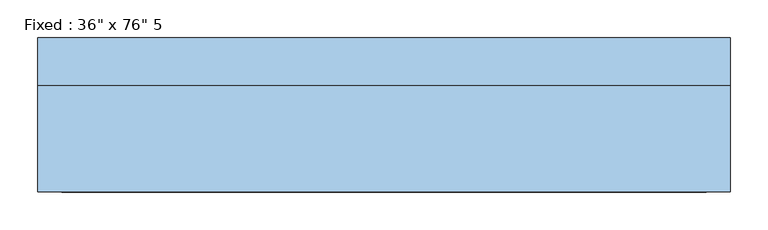
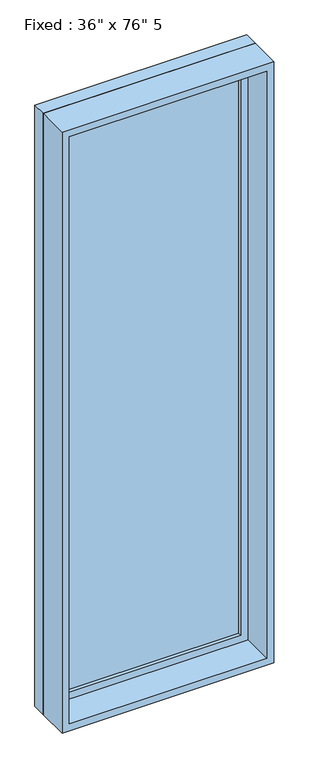
"""IFC4 building model written with IfcOpenShell, lengths in millimetres: window geometry."""

import ifcopenshell
import ifcopenshell.guid

model = None  # the IFC model being written
_history = None  # IfcOwnerHistory: only IFC2X3 demands one
_inside = {}  # id of a spatial element -> (the spatial element, [elements in it])
_under = {}  # id of a project, library or spatial element -> (it, [spatial elements below it])
_declared = {}  # id of a project -> (the project, [libraries it declares])
_typed = {}  # id of a type object -> (the type object, [elements of that type])
_made_of = {}  # id of a material, layer set ... -> (it, [elements and type objects made of it])


def new_model(schema):
    """Start an empty IFC model of exactly this schema.

    Asked for "IFC4X3", IfcOpenShell would pick the latest addendum, in which some entities
    have other attributes; the version numbers below select the first issue.
    IFC2X3 requires an IfcOwnerHistory on every rooted entity: one is made here for all.
    """
    global model, _history
    if schema == "IFC4X3":
        model = ifcopenshell.file(schema_version=(4, 3, 0, 0))
    else:
        model = ifcopenshell.file(schema=schema)
    _inside.clear()
    _under.clear()
    _declared.clear()
    _typed.clear()
    _made_of.clear()
    _history = None
    if model.schema == "IFC2X3":
        org = make("IfcOrganization", Name="unknown")
        user = make(
            "IfcPersonAndOrganization",
            ThePerson=make("IfcPerson", FamilyName="unknown"),
            TheOrganization=org,
        )
        app = make(
            "IfcApplication",
            ApplicationDeveloper=org,
            Version="unknown",
            ApplicationFullName="unknown",
            ApplicationIdentifier="unknown",
        )
        _history = make(
            "IfcOwnerHistory",
            OwningUser=user,
            OwningApplication=app,
            ChangeAction="ADDED",
            CreationDate=0,
        )
    return model


def make(cls, **values):
    """One entity of the class cls with the attributes given. An attribute that is None is left unset."""
    return model.create_entity(
        cls, **{name: value for name, value in values.items() if value is not None}
    )


def rooted(cls, **values):
    """An entity with a GlobalId (a new one), such as an element, a storey or a relation."""
    return make(cls, GlobalId=ifcopenshell.guid.new(), OwnerHistory=_history, **values)


def si_unit(unit_type, name, prefix=None):
    """IfcSIUnit, for example si_unit("LENGTHUNIT", "METRE", prefix="MILLI")."""
    return make("IfcSIUnit", UnitType=unit_type, Prefix=prefix, Name=name)


def assignment(units):
    """IfcUnitAssignment: the units of a project."""
    return None if units is None else make("IfcUnitAssignment", Units=units)


def point(xyz):
    """IfcCartesianPoint."""
    return None if xyz is None else make("IfcCartesianPoint", Coordinates=xyz)


def direction(xyz):
    """IfcDirection."""
    return None if xyz is None else make("IfcDirection", DirectionRatios=xyz)


def frame(location, z_axis=None, x_axis=None):
    """IfcAxis2Placement3D, a coordinate frame: its origin and axes. An axis left out is left unset."""
    return make(
        "IfcAxis2Placement3D",
        Location=point(location),
        Axis=direction(z_axis),
        RefDirection=direction(x_axis),
    )


def origin():
    """The frame at (0, 0, 0) with its axes left unset."""
    return frame((0.0, 0.0, 0.0))


def place(relative_to, where):
    """IfcLocalPlacement: puts the frame where relative to a parent placement (None: the world)."""
    return make(
        "IfcLocalPlacement", PlacementRelTo=relative_to, RelativePlacement=where
    )


def context(
    kind, dimensions, precision=None, world=None, true_north=None, identifier=None
):
    """IfcGeometricRepresentationContext, for example the 3D "Model" context."""
    return make(
        "IfcGeometricRepresentationContext",
        ContextIdentifier=identifier,
        ContextType=kind,
        CoordinateSpaceDimension=dimensions,
        Precision=precision,
        WorldCoordinateSystem=world,
        TrueNorth=true_north,
    )


def project(units=None, contexts=None):
    """IfcProject with its units and contexts."""
    return rooted(
        "IfcProject",
        Name="project",
        RepresentationContexts=contexts,
        UnitsInContext=assignment(units),
    )


def spatial(cls, under=None, at=None, **own):
    """A site, building, storey or space (cls), placed at a placement, below another one or the project."""
    s = rooted(cls, ObjectPlacement=at, **own)
    if under is not None:
        _under.setdefault(under.id(), (under, []))[1].append(s)
    return s


def polyline(points):
    """IfcPolyline through the points."""
    return make("IfcPolyline", Points=[point(p) for p in points])


def outline(outer, holes=None, kind="AREA"):
    """IfcArbitraryClosedProfileDef: a profile drawn as a closed curve; with holes, ...WithVoids."""
    if holes is None:
        return make("IfcArbitraryClosedProfileDef", ProfileType=kind, OuterCurve=outer)
    return make(
        "IfcArbitraryProfileDefWithVoids",
        ProfileType=kind,
        OuterCurve=outer,
        InnerCurves=holes,
    )


def extrude(swept, where, along, depth):
    """IfcExtrudedAreaSolid: the profile swept, set in the frame where, extruded along a direction by depth."""
    return make(
        "IfcExtrudedAreaSolid",
        SweptArea=swept,
        Position=where,
        ExtrudedDirection=direction(along),
        Depth=depth,
    )


def shape(context_of_items, identifier, shape_type, items):
    """IfcShapeRepresentation: the items that make up one representation, for example the "Body"."""
    return make(
        "IfcShapeRepresentation",
        ContextOfItems=context_of_items,
        RepresentationIdentifier=identifier,
        RepresentationType=shape_type,
        Items=items,
    )


def source(mapping_origin, context_of_items, identifier, shape_type, items):
    """IfcRepresentationMap: a shape defined once, which mapped items show again and again."""
    return make(
        "IfcRepresentationMap",
        MappingOrigin=mapping_origin,
        MappedRepresentation=shape(context_of_items, identifier, shape_type, items),
    )


def transform(
    local_origin,
    x_axis=None,
    y_axis=None,
    z_axis=None,
    scale=None,
    scale2=None,
    scale3=None,
    uniform=True,
):
    """IfcCartesianTransformationOperator3D, or its non-uniform kind. x_axis, y_axis, z_axis: its Axis1, 2, 3."""
    if uniform:
        return make(
            "IfcCartesianTransformationOperator3D",
            Axis1=direction(x_axis),
            Axis2=direction(y_axis),
            LocalOrigin=point(local_origin),
            Scale=scale,
            Axis3=direction(z_axis),
        )
    return make(
        "IfcCartesianTransformationOperator3DnonUniform",
        Axis1=direction(x_axis),
        Axis2=direction(y_axis),
        LocalOrigin=point(local_origin),
        Scale=scale,
        Axis3=direction(z_axis),
        Scale2=scale2,
        Scale3=scale3,
    )


def mapped(mapping_source, mapping_target):
    """IfcMappedItem: shows the shape of a source again, moved by a transform."""
    return make(
        "IfcMappedItem", MappingSource=mapping_source, MappingTarget=mapping_target
    )


def made_of(thing, what):
    """Note that an element or type object is made of a material, layer set ...; save() writes the relation."""
    if what is not None:
        _made_of.setdefault(what.id(), (what, []))[1].append(thing)
    return thing


def element(
    cls,
    number,
    at=None,
    inside=None,
    cuts=None,
    type_object=None,
    material=None,
    context=None,
    identifier="Body",
    shape_type=None,
    held_by="IfcProductDefinitionShape",
    body=None,
    shapes=None,
    **own,
):
    """One element of the class cls, such as IfcWall. Its Tag is "e" and its number.

    at: its placement. inside: the storey or other place that contains it. cuts: it is an
    opening in that element (IfcRelVoidsElement). A single representation is given by context,
    identifier, shape_type and body (its items); several are given by shapes. held_by: the class
    of the entity that holds the representations. save() writes the other relations.
    """
    e = rooted(cls, Tag="e%d" % number, ObjectPlacement=at, **own)
    if body is not None:
        shapes = [shape(context, identifier, shape_type, body)]
    if shapes is not None:
        e.Representation = make(held_by, Representations=shapes)
    if inside is not None:
        _inside.setdefault(inside.id(), (inside, []))[1].append(e)
    if cuts is not None:
        rooted(
            "IfcRelVoidsElement", RelatingBuildingElement=cuts, RelatedOpeningElement=e
        )
    if type_object is not None:
        _typed.setdefault(type_object.id(), (type_object, []))[1].append(e)
    return made_of(e, material)


def aggregate(whole, parts):
    """IfcRelAggregates: a whole, such as a stair, and the parts it consists of."""
    return rooted("IfcRelAggregates", RelatingObject=whole, RelatedObjects=parts)


def save(model, path):
    """Write the relations noted so far, then the file.

    IfcRelAggregates (storeys below a building ...), IfcRelContainedInSpatialStructure (elements
    in a storey), IfcRelDefinesByType, IfcRelAssociatesMaterial and IfcRelDeclares: one each for
    every whole, place, type object, material and project.
    """
    for whole, parts in _under.values():
        aggregate(whole, parts)
    for where, things in _inside.values():
        rooted(
            "IfcRelContainedInSpatialStructure",
            RelatedElements=things,
            RelatingStructure=where,
        )
    for kind, things in _typed.values():
        rooted("IfcRelDefinesByType", RelatedObjects=things, RelatingType=kind)
    for what, things in _made_of.values():
        rooted("IfcRelAssociatesMaterial", RelatedObjects=things, RelatingMaterial=what)
    for by, libraries in _declared.values():
        rooted("IfcRelDeclares", RelatingContext=by, RelatedDefinitions=libraries)
    model.write(path)


def window_6f32bc8c(model_context):
    return source(origin(), model_context, "Body", "SweptSolid", [
        extrude(outline(polyline([(355.6, 53.975), (-431.8, 53.975), (-431.8, 66.675), (355.6, 66.675), (355.6, 53.975)])), frame((0.0, 0.0, 368.3), z_axis=(0.0, 0.0, 1.0), x_axis=(1.0, 0.0, 0.0)), (0.0, 0.0, 1.0), 2616.2),
        extrude(outline(polyline([(3028.95, -476.25), (323.85, -476.25), (323.85, 400.05), (3028.95, 400.05), (3028.95, -476.25)]), holes=[polyline([(2984.5, -431.8), (2984.5, 355.6), (368.3, 355.6), (368.3, -431.8), (2984.5, -431.8)])]), frame((0.0, 38.1, 0.0), z_axis=(0.0, 1.0, 0.0), x_axis=(0.0, 0.0, 1.0)), (0.0, 0.0, 1.0), 44.45),
        extrude(outline(polyline([(3048.0, -495.3), (304.8, -495.3), (304.8, 419.1), (3048.0, 419.1), (3048.0, -495.3)]), holes=[polyline([(3016.25, -463.55), (3016.25, 387.35), (336.55, 387.35), (336.55, -463.55), (3016.25, -463.55)])]), frame((0.0, -101.6, 0.0), z_axis=(0.0, 1.0, 0.0), x_axis=(0.0, 0.0, 1.0)), (0.0, 0.0, 1.0), 139.7),
        extrude(outline(polyline([(3048.0, 419.1), (3048.0, -495.3), (304.8, -495.3), (304.8, 419.1), (3048.0, 419.1)]), holes=[polyline([(3028.95, 400.05), (323.85, 400.05), (323.85, -476.25), (3028.95, -476.25), (3028.95, 400.05)])]), frame((0.0, 38.1, 0.0), z_axis=(0.0, 1.0, 0.0), x_axis=(0.0, 0.0, 1.0)), (0.0, 0.0, 1.0), 63.5),
    ])


if __name__ == "__main__":
    model = new_model("IFC4")
    model_context = context("Model", 3, world=origin())
    ifc_project = project(units=[si_unit("LENGTHUNIT", "METRE", prefix="MILLI")], contexts=[model_context])
    site = spatial("IfcSite", under=ifc_project)
    building = spatial("IfcBuilding", under=site)
    placement = place(None, origin())
    window_shape = window_6f32bc8c(model_context)
    element("IfcWindow", 1, ObjectType="Fixed : 36\" x 76\" 5", at=placement, inside=building, context=model_context, shape_type="MappedRepresentation", body=[
        mapped(window_shape, transform((0.0, 0.0, 0.0), x_axis=(1.0, 0.0, 0.0), y_axis=(0.0, 1.0, 0.0), z_axis=(0.0, 0.0, 1.0))),
    ])
    save(model, "model.ifc")
